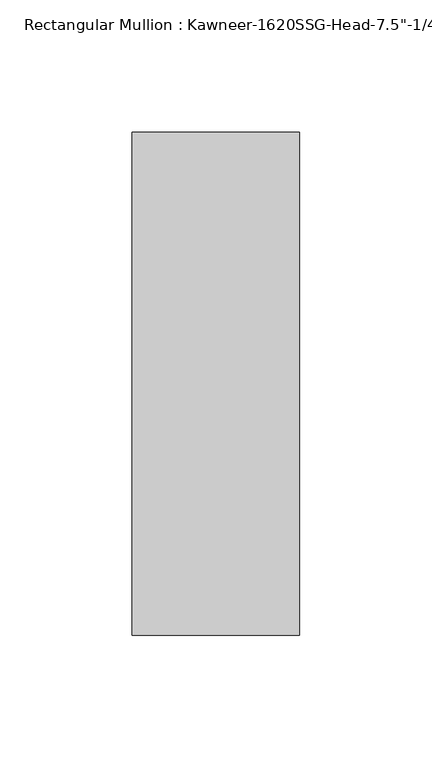
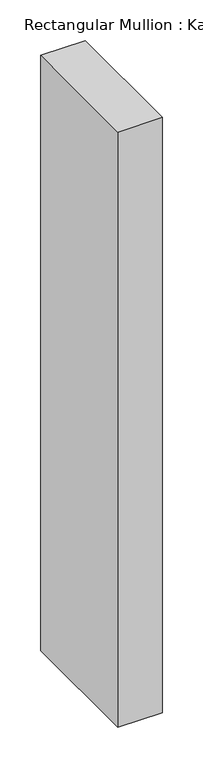
"""IFC4 building model written with IfcOpenShell, lengths in millimetres: member geometry."""

from ifc_helpers import new_model, si_unit, frame, origin, place, context, project, spatial, polyline, outline, extrude, source, transform, mapped, element, save


def member_7b7a9f58(model_context):
    return source(origin(), model_context, "Body", "SweptSolid", [
        extrude(outline(polyline([(-22.225, 28.575), (41.275, 28.575), (41.275, -161.925), (-22.225, -161.925), (-22.225, 28.575)])), frame((0.0, 0.0, -896.2182369), z_axis=(0.0, 0.0, 1.0), x_axis=(1.0, 0.0, 0.0)), (0.0, 0.0, 1.0), 896.2182369),
    ])


if __name__ == "__main__":
    model = new_model("IFC4")
    model_context = context("Model", 3, world=origin())
    ifc_project = project(units=[si_unit("LENGTHUNIT", "METRE", prefix="MILLI")], contexts=[model_context])
    site = spatial("IfcSite", under=ifc_project)
    building = spatial("IfcBuilding", under=site)
    placement = place(None, origin())
    member_shape = member_7b7a9f58(model_context)
    element("IfcMember", 1, ObjectType="Rectangular Mullion : Kawneer-1620SSG-Head-7.5\"-1/4\"Infill-1C", at=placement, inside=building, context=model_context, shape_type="MappedRepresentation", body=[
        mapped(member_shape, transform((0.0, 0.0, 0.0), x_axis=(1.0, 0.0, 0.0), y_axis=(0.0, 1.0, 0.0), z_axis=(0.0, 0.0, 1.0))),
    ])
    save(model, "model.ifc")
